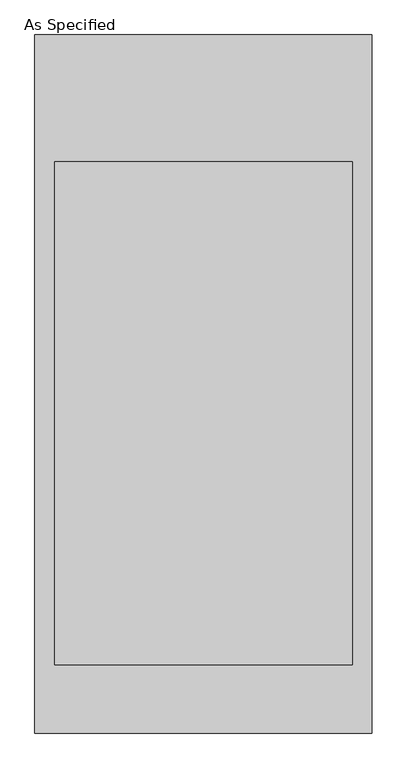
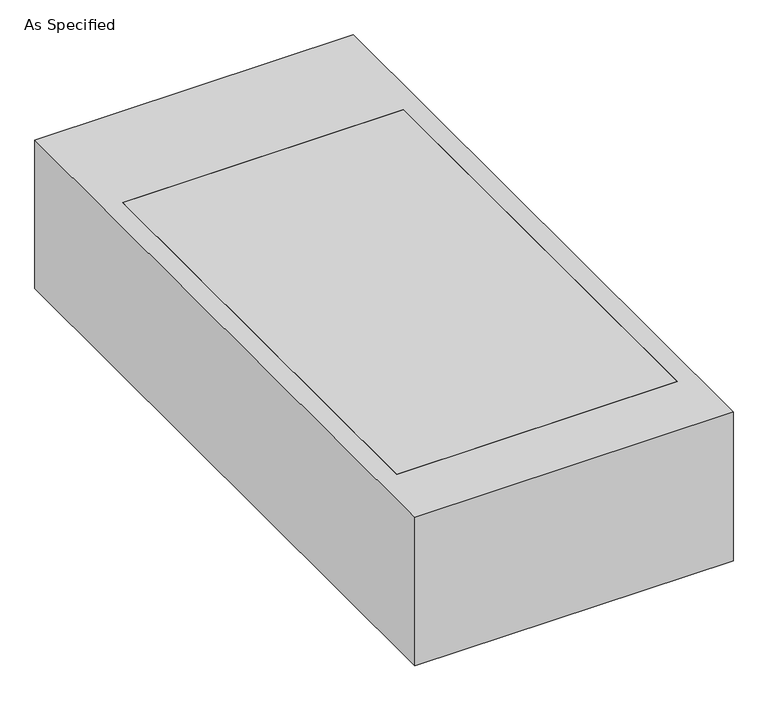
"""IFC4 building model written with IfcOpenShell, lengths in millimetres: proxy geometry, As Specified."""

from ifc_helpers import new_model, si_unit, frame, origin, place, context, project, spatial, polyline, outline, extrude, source, transform, mapped, element, save


def as_specified_c59b198f(model_context):
    return source(origin(), model_context, "Body", "SweptSolid", [
        extrude(outline(polyline([(-511.175, -1057.275), (-511.175, 1057.275), (511.175, 1057.275), (511.175, -1057.275), (-511.175, -1057.275)]), holes=[polyline([(450.85, 673.1), (-450.85, 673.1), (-450.85, -850.9), (450.85, -850.9), (450.85, 673.1)])]), frame((0.0, 0.0, -530.225), z_axis=(0.0, 0.0, 1.0), x_axis=(1.0, 0.0, 0.0)), (0.0, 0.0, 1.0), 504.825),
        extrude(outline(polyline([(450.85, 673.1), (450.85, -850.9), (-450.85, -850.9), (-450.85, 673.1), (450.85, 673.1)])), frame((0.0, 0.0, -530.225), z_axis=(0.0, 0.0, 1.0), x_axis=(1.0, 0.0, 0.0)), (0.0, 0.0, 1.0), 504.825),
    ])


if __name__ == "__main__":
    model = new_model("IFC4")
    model_context = context("Model", 3, world=origin())
    ifc_project = project(units=[si_unit("LENGTHUNIT", "METRE", prefix="MILLI")], contexts=[model_context])
    site = spatial("IfcSite", under=ifc_project)
    building = spatial("IfcBuilding", under=site)
    placement = place(None, origin())
    as_specified_shape = as_specified_c59b198f(model_context)
    element("IfcBuildingElementProxy", 1, Name="As Specified", ObjectType="As Specified", at=placement, inside=building, context=model_context, shape_type="MappedRepresentation", body=[
        mapped(as_specified_shape, transform((0.0, 0.0, 0.0), x_axis=(1.0, 0.0, 0.0), y_axis=(0.0, 1.0, 0.0), z_axis=(0.0, 0.0, 1.0))),
    ])
    save(model, "model.ifc")
